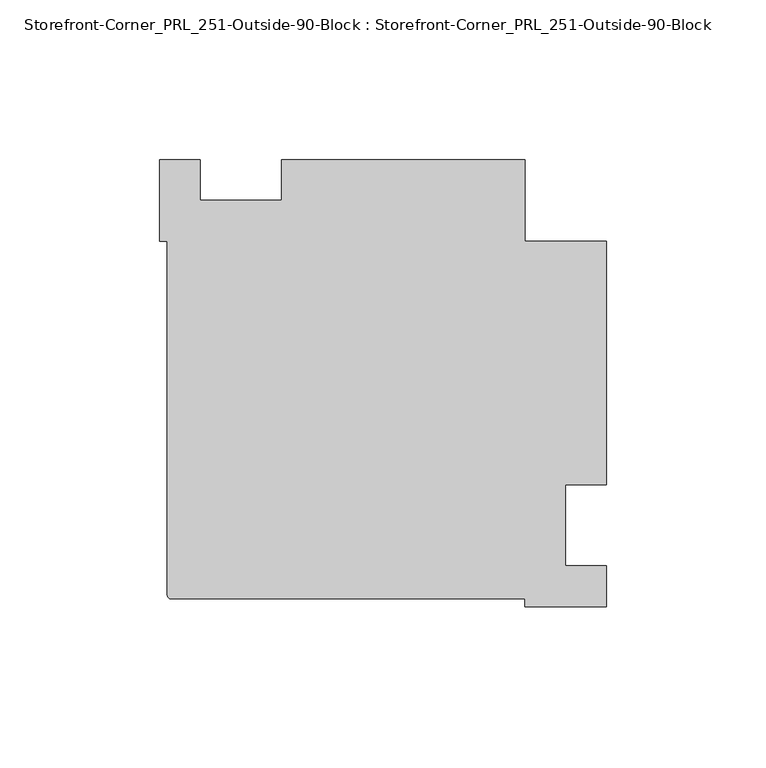
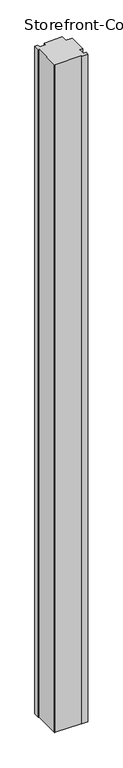
"""IFC4 building model written with IfcOpenShell, lengths in millimetres: proxy geometry, Storefront-Corner_PRL_251-Outside-90-Block : Storefront-Corner_PRL_251-Outside-90-Block."""

from ifc_helpers import new_model, si_unit, point, frame_2d, origin, origin_with_axes, place, context, project, spatial, polyline, circle_curve, trimmed, segment, composite_curve, outline, extrude, source, transform, mapped, element, save


def storefront_corner_prl_251_outside_90_block_storefront_corner_462d1163(model_context):
    return source(origin(), model_context, "Body", "SweptSolid", [
        extrude(outline(composite_curve([segment(polyline([(114.3, 12.7), (101.6, 12.7), (101.6, -12.7), (114.3, -12.7), (114.3, -25.4), (88.9, -25.4), (88.9, -23.01875), (-21.828125, -23.01875)]), True, "CONTINUOUS"), segment(trimmed(circle_curve(frame_2d((-21.828125, -21.828125)), 1.190625), [point((-21.828125, -23.01875))], [point((-23.01875, -21.828125))], False, "CARTESIAN"), True, "CONTINUOUS"), segment(polyline([(-23.01875, -21.828125), (-23.01875, 88.9), (-25.4, 88.9), (-25.4, 114.3), (-12.7, 114.3), (-12.7, 101.6), (12.7, 101.6), (12.7, 114.3), (88.9, 114.3), (88.9, 88.9), (114.3, 88.9), (114.3, 12.7)]), True, "CONTINUOUS")], self_intersect=False)), origin_with_axes(), (0.0, 0.0, 1.0), 2933.7),
    ])


if __name__ == "__main__":
    model = new_model("IFC4")
    model_context = context("Model", 3, world=origin())
    ifc_project = project(units=[si_unit("LENGTHUNIT", "METRE", prefix="MILLI")], contexts=[model_context])
    site = spatial("IfcSite", under=ifc_project)
    building = spatial("IfcBuilding", under=site)
    placement = place(None, origin())
    storefront_corner_prl_251_outside_90_block_storefront_corner_shape = storefront_corner_prl_251_outside_90_block_storefront_corner_462d1163(model_context)
    element("IfcBuildingElementProxy", 1, Name="Storefront-Corner_PRL_251-Outside-90-Block : Storefront-Corner_PRL_251-Outside-90-Block", ObjectType="Storefront-Corner_PRL_251-Outside-90-Block : Storefront-Corner_PRL_251-Outside-90-Block", at=placement, inside=building, context=model_context, shape_type="MappedRepresentation", body=[
        mapped(storefront_corner_prl_251_outside_90_block_storefront_corner_shape, transform((0.0, 0.0, 0.0), x_axis=(1.0, 0.0, 0.0), y_axis=(0.0, 1.0, 0.0), z_axis=(0.0, 0.0, 1.0))),
    ])
    save(model, "model.ifc")
